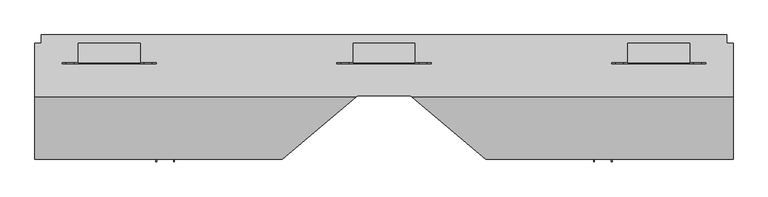
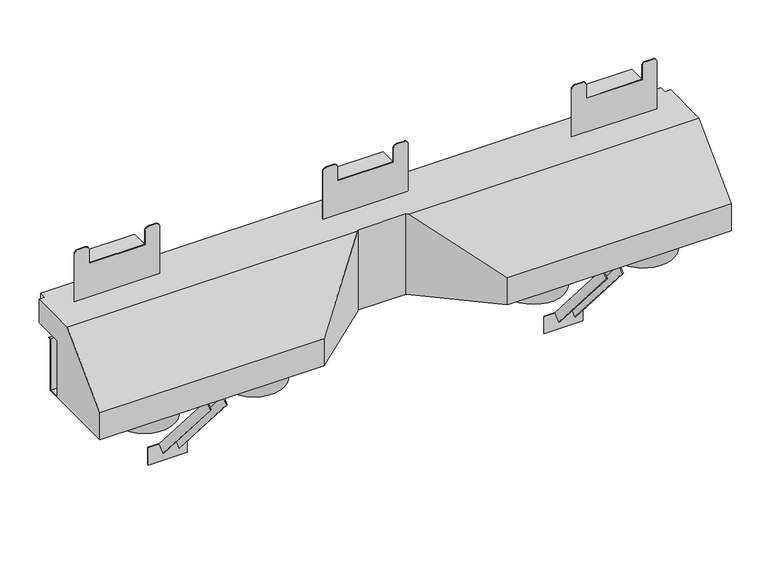
"""IFC4 building model written with IfcOpenShell, lengths in millimetres: proxy geometry."""

from ifc_helpers import new_model, si_unit, point, frame, frame_2d, origin, place, context, project, spatial, polyline, circle_curve, trimmed, segment, composite_curve, outline, extrude, faceted_brep, source, transform, mapped, element, save


def generic_models_78c4437d(model_context):
    return source(origin(), model_context, "Body", "SolidModel", [
        extrude(outline(polyline([(17.4625, 0.0), (17.4625, -19.05), (15.875, -19.05), (15.875, -1.5875), (-15.875, -1.5875), (-15.875, -19.05), (-17.4625, -19.05), (-17.4625, 0.0), (17.4625, 0.0)])), frame((413.1049214, 27.2278235, -198.7459399), z_axis=(0.0, -0.6518566334282185, 0.7583422244973764), x_axis=(1.0, 0.0, 0.0)), (0.0, 0.0, 1.0), 262.7194472),
        extrude(outline(polyline([(17.4625, 0.0), (17.4625, -19.05), (15.875, -19.05), (15.875, -1.5875), (-15.875, -1.5875), (-15.875, -19.05), (-17.4625, -19.05), (-17.4625, 0.0), (17.4625, 0.0)])), frame((-413.1049214, 27.2278235, -198.7459399), z_axis=(0.0, -0.6518566334282185, 0.7583422244973764), x_axis=(1.0, 0.0, 0.0)), (0.0, 0.0, 1.0), 262.7194472),
        extrude(outline(polyline([(372.4374831, 28.3300134), (453.7723597, 28.3300134), (453.7723597, 26.7425134), (372.4374831, 26.7425134), (372.4374831, 28.3300134)])), frame((0.0, 0.0, -237.33125), z_axis=(0.0, 0.0, 1.0), x_axis=(1.0, 0.0, 0.0)), (0.0, 0.0, 1.0), 38.1),
        extrude(outline(polyline([(-453.7723597, 28.3300134), (-372.4374831, 28.3300134), (-372.4374831, 26.7425134), (-453.7723597, 26.7425134), (-453.7723597, 28.3300134)])), frame((0.0, 0.0, -237.33125), z_axis=(0.0, 0.0, 1.0), x_axis=(1.0, 0.0, 0.0)), (0.0, 0.0, 1.0), 38.1),
        extrude(outline(polyline([(-583.1110141, 64.8425134), (-466.3516642, 64.8425134), (-466.3516642, 28.3300134), (-583.1110141, 28.3300134), (-583.1110141, 64.8425134)])), frame((0.0, 0.0, 88.3618152), z_axis=(0.0, 0.0, 1.0), x_axis=(1.0, 0.0, 0.0)), (0.0, 0.0, 1.0), 1.5875),
        extrude(outline(polyline([(466.3516642, 64.8425134), (583.1110141, 64.8425134), (583.1110141, 28.3300134), (466.3516642, 28.3300134), (466.3516642, 64.8425134)])), frame((0.0, 0.0, 88.3618152), z_axis=(0.0, 0.0, 1.0), x_axis=(1.0, 0.0, 0.0)), (0.0, 0.0, 1.0), 1.5875),
        extrude(outline(composite_curve([segment(trimmed(circle_curve(frame_2d((55.872257, -605.9552347)), 7.6147402), [point((55.872257, -613.5699749))], [point((48.2575168, -605.9552347))], False, "CARTESIAN"), True, "CONTINUOUS"), segment(polyline([(48.2575168, -605.9552347), (48.2575168, -590.7257543)]), True, "CONTINUOUS"), segment(trimmed(circle_curve(frame_2d((55.872257, -590.7257543)), 7.6147402), [point((48.2575168, -590.7257543))], [point((55.872257, -583.1110141))], False, "CARTESIAN"), True, "CONTINUOUS"), segment(polyline([(55.872257, -583.1110141), (88.3618152, -583.1110141), (88.3618152, -466.3516642), (55.872257, -466.3516642)]), True, "CONTINUOUS"), segment(trimmed(circle_curve(frame_2d((55.872257, -458.736924)), 7.6147402), [point((55.872257, -466.3516642))], [point((48.2575168, -458.736924))], False, "CARTESIAN"), True, "CONTINUOUS"), segment(polyline([(48.2575168, -458.736924), (48.2575168, -443.5074435)]), True, "CONTINUOUS"), segment(trimmed(circle_curve(frame_2d((55.872257, -443.5074435)), 7.6147402), [point((48.2575168, -443.5074435))], [point((55.872257, -435.8927033))], False, "CARTESIAN"), True, "CONTINUOUS"), segment(polyline([(55.872257, -435.8927033), (124.4049189, -435.8927033), (124.4049189, -613.5699749), (55.872257, -613.5699749)]), True, "CONTINUOUS")], self_intersect=False)), frame((0.0, 66.4300134, 0.0), z_axis=(0.0, 1.0, 0.0), x_axis=(0.0, 0.0, 1.0)), (0.0, 0.0, 1.0), 1.5875),
        extrude(outline(composite_curve([segment(polyline([(55.872257, 613.5699749), (124.4049189, 613.5699749), (124.4049189, 435.8927033), (55.872257, 435.8927033)]), True, "CONTINUOUS"), segment(trimmed(circle_curve(frame_2d((55.872257, 443.5074435)), 7.6147402), [point((55.872257, 435.8927033))], [point((48.2575168, 443.5074435))], False, "CARTESIAN"), True, "CONTINUOUS"), segment(polyline([(48.2575168, 443.5074435), (48.2575168, 458.736924)]), True, "CONTINUOUS"), segment(trimmed(circle_curve(frame_2d((55.872257, 458.736924)), 7.6147402), [point((48.2575168, 458.736924))], [point((55.872257, 466.3516642))], False, "CARTESIAN"), True, "CONTINUOUS"), segment(polyline([(55.872257, 466.3516642), (88.3618152, 466.3516642), (88.3618152, 583.1110141), (55.872257, 583.1110141)]), True, "CONTINUOUS"), segment(trimmed(circle_curve(frame_2d((55.872257, 590.7257543)), 7.6147402), [point((55.872257, 583.1110141))], [point((48.2575168, 590.7257543))], False, "CARTESIAN"), True, "CONTINUOUS"), segment(polyline([(48.2575168, 590.7257543), (48.2575168, 605.9552347)]), True, "CONTINUOUS"), segment(trimmed(circle_curve(frame_2d((55.872257, 605.9552347)), 7.6147402), [point((48.2575168, 605.9552347))], [point((55.872257, 613.5699749))], False, "CARTESIAN"), True, "CONTINUOUS")], self_intersect=False)), frame((0.0, 66.4300134, 0.0), z_axis=(0.0, 1.0, 0.0), x_axis=(0.0, 0.0, 1.0)), (0.0, 0.0, 1.0), 1.5875),
        extrude(outline(polyline([(-577.0108983, 64.8425134), (-460.2515484, 64.8425134), (-460.2515484, 28.3300134), (-577.0108983, 28.3300134), (-577.0108983, 64.8425134)])), frame((0.0, 0.0, 249.3217236), z_axis=(0.0, 0.0, 1.0), x_axis=(1.0, 0.0, 0.0)), (0.0, 0.0, 1.0), 1.5875),
        extrude(outline(polyline([(460.2515484, 64.8425134), (577.0108983, 64.8425134), (577.0108983, 28.3300134), (460.2515484, 28.3300134), (460.2515484, 64.8425134)])), frame((0.0, 0.0, 249.3217236), z_axis=(0.0, 0.0, 1.0), x_axis=(1.0, 0.0, 0.0)), (0.0, 0.0, 1.0), 1.5875),
        extrude(outline(polyline([(-58.5010604, 64.8425134), (58.2582895, 64.8425134), (58.2582895, 28.3300134), (-58.5010604, 28.3300134), (-58.5010604, 64.8425134)])), frame((0.0, 0.0, 249.3217236), z_axis=(0.0, 0.0, 1.0), x_axis=(1.0, 0.0, 0.0)), (0.0, 0.0, 1.0), 1.5875),
        extrude(outline(composite_curve([segment(polyline([(281.0889773, -607.4698592), (176.7924189, -607.4698592), (176.7924189, -429.7925876), (281.0889773, -429.7925876)]), True, "CONTINUOUS"), segment(trimmed(circle_curve(frame_2d((281.0889773, -437.4073278)), 7.6147402), [point((281.0889773, -429.7925876))], [point((288.7037175, -437.4073278))], False, "CARTESIAN"), True, "CONTINUOUS"), segment(polyline([(288.7037175, -437.4073278), (288.7037175, -452.6368082)]), True, "CONTINUOUS"), segment(trimmed(circle_curve(frame_2d((281.0889773, -452.6368082)), 7.6147402), [point((288.7037175, -452.6368082))], [point((281.0889773, -460.2515484))], False, "CARTESIAN"), True, "CONTINUOUS"), segment(polyline([(281.0889773, -460.2515484), (250.9092236, -460.2515484), (250.9092236, -577.0108983), (281.0889773, -577.0108983)]), True, "CONTINUOUS"), segment(trimmed(circle_curve(frame_2d((281.0889773, -584.6256385)), 7.6147402), [point((281.0889773, -577.0108983))], [point((288.7037175, -584.6256385))], False, "CARTESIAN"), True, "CONTINUOUS"), segment(polyline([(288.7037175, -584.6256385), (288.7037175, -599.855119)]), True, "CONTINUOUS"), segment(trimmed(circle_curve(frame_2d((281.0889773, -599.855119)), 7.6147402), [point((288.7037175, -599.855119))], [point((281.0889773, -607.4698592))], False, "CARTESIAN"), True, "CONTINUOUS")], self_intersect=False)), frame((0.0, 26.7425134, 0.0), z_axis=(0.0, 1.0, 0.0), x_axis=(0.0, 0.0, 1.0)), (0.0, 0.0, 1.0), 1.5875),
        extrude(outline(composite_curve([segment(polyline([(281.0889773, 429.7925876), (176.7924189, 429.7925876), (176.7924189, 607.4698592), (281.0889773, 607.4698592)]), True, "CONTINUOUS"), segment(trimmed(circle_curve(frame_2d((281.0889773, 599.855119)), 7.6147402), [point((281.0889773, 607.4698592))], [point((288.7037175, 599.855119))], False, "CARTESIAN"), True, "CONTINUOUS"), segment(polyline([(288.7037175, 599.855119), (288.7037175, 584.6256385)]), True, "CONTINUOUS"), segment(trimmed(circle_curve(frame_2d((281.0889773, 584.6256385)), 7.6147402), [point((288.7037175, 584.6256385))], [point((281.0889773, 577.0108983))], False, "CARTESIAN"), True, "CONTINUOUS"), segment(polyline([(281.0889773, 577.0108983), (250.9092236, 577.0108983), (250.9092236, 460.2515484), (281.0889773, 460.2515484)]), True, "CONTINUOUS"), segment(trimmed(circle_curve(frame_2d((281.0889773, 452.6368082)), 7.6147402), [point((281.0889773, 460.2515484))], [point((288.7037175, 452.6368082))], False, "CARTESIAN"), True, "CONTINUOUS"), segment(polyline([(288.7037175, 452.6368082), (288.7037175, 437.4073278)]), True, "CONTINUOUS"), segment(trimmed(circle_curve(frame_2d((281.0889773, 437.4073278)), 7.6147402), [point((288.7037175, 437.4073278))], [point((281.0889773, 429.7925876))], False, "CARTESIAN"), True, "CONTINUOUS")], self_intersect=False)), frame((0.0, 26.7425134, 0.0), z_axis=(0.0, 1.0, 0.0), x_axis=(0.0, 0.0, 1.0)), (0.0, 0.0, 1.0), 1.5875),
        extrude(outline(composite_curve([segment(polyline([(176.7924189, -88.9600212), (176.7924189, 88.7172504), (281.0889773, 88.7172504)]), True, "CONTINUOUS"), segment(trimmed(circle_curve(frame_2d((281.0889773, 81.1025102)), 7.6147402), [point((281.0889773, 88.7172504))], [point((288.7037175, 81.1025102))], False, "CARTESIAN"), True, "CONTINUOUS"), segment(polyline([(288.7037175, 81.1025102), (288.7037175, 65.8730297)]), True, "CONTINUOUS"), segment(trimmed(circle_curve(frame_2d((281.0889773, 65.8730297)), 7.6147402), [point((288.7037175, 65.8730297))], [point((281.0889773, 58.2582895))], False, "CARTESIAN"), True, "CONTINUOUS"), segment(polyline([(281.0889773, 58.2582895), (250.9092236, 58.2582895), (250.9092236, -58.5010604), (281.0889773, -58.5010604)]), True, "CONTINUOUS"), segment(trimmed(circle_curve(frame_2d((281.0889773, -66.1158006)), 7.6147402), [point((281.0889773, -58.5010604))], [point((288.7037175, -66.1158006))], False, "CARTESIAN"), True, "CONTINUOUS"), segment(polyline([(288.7037175, -66.1158006), (288.7037175, -81.345281)]), True, "CONTINUOUS"), segment(trimmed(circle_curve(frame_2d((281.0889773, -81.345281)), 7.6147402), [point((288.7037175, -81.345281))], [point((281.0889773, -88.9600212))], False, "CARTESIAN"), True, "CONTINUOUS"), segment(polyline([(281.0889773, -88.9600212), (176.7924189, -88.9600212)]), True, "CONTINUOUS")], self_intersect=False)), frame((0.0, 26.7425134, 0.0), z_axis=(0.0, 1.0, 0.0), x_axis=(0.0, 0.0, 1.0)), (0.0, 0.0, 1.0), 1.5875),
        extrude(outline(composite_curve([segment(trimmed(circle_curve(frame_2d((291.8720758, -74.9122761)), 63.5), [point((355.3720758, -74.9122761))], [point((228.3720758, -74.9122761))], False, "CARTESIAN"), True, "CONTINUOUS"), segment(trimmed(circle_curve(frame_2d((291.8720758, -74.9122761)), 63.5), [point((228.3720758, -74.9122761))], [point((355.3720758, -74.9122761))], False, "CARTESIAN"), True, "CONTINUOUS")], self_intersect=False)), frame((0.0, 0.0, -38.1), z_axis=(0.0, 0.0, 1.0), x_axis=(1.0, 0.0, 0.0)), (0.0, 0.0, 1.0), 38.1),
        extrude(outline(composite_curve([segment(trimmed(circle_curve(frame_2d((520.4720758, -74.9122761)), 63.5), [point((583.9720758, -74.9122761))], [point((456.9720758, -74.9122761))], False, "CARTESIAN"), True, "CONTINUOUS"), segment(trimmed(circle_curve(frame_2d((520.4720758, -74.9122761)), 63.5), [point((456.9720758, -74.9122761))], [point((583.9720758, -74.9122761))], False, "CARTESIAN"), True, "CONTINUOUS")], self_intersect=False)), frame((0.0, 0.0, -38.1), z_axis=(0.0, 0.0, 1.0), x_axis=(1.0, 0.0, 0.0)), (0.0, 0.0, 1.0), 38.1),
        extrude(outline(composite_curve([segment(trimmed(circle_curve(frame_2d((-291.8720758, -74.9122761)), 63.5), [point((-355.3720758, -74.9122761))], [point((-228.3720758, -74.9122761))], False, "CARTESIAN"), True, "CONTINUOUS"), segment(trimmed(circle_curve(frame_2d((-291.8720758, -74.9122761)), 63.5), [point((-228.3720758, -74.9122761))], [point((-355.3720758, -74.9122761))], False, "CARTESIAN"), True, "CONTINUOUS")], self_intersect=False)), frame((0.0, 0.0, -38.1), z_axis=(0.0, 0.0, 1.0), x_axis=(1.0, 0.0, 0.0)), (0.0, 0.0, 1.0), 38.1),
        extrude(outline(composite_curve([segment(trimmed(circle_curve(frame_2d((-520.4720758, -74.9122761)), 63.5), [point((-583.9720758, -74.9122761))], [point((-456.9720758, -74.9122761))], False, "CARTESIAN"), True, "CONTINUOUS"), segment(trimmed(circle_curve(frame_2d((-520.4720758, -74.9122761)), 63.5), [point((-456.9720758, -74.9122761))], [point((-583.9720758, -74.9122761))], False, "CARTESIAN"), True, "CONTINUOUS")], self_intersect=False)), frame((0.0, 0.0, -38.1), z_axis=(0.0, 0.0, 1.0), x_axis=(1.0, 0.0, 0.0)), (0.0, 0.0, 1.0), 38.1),
        faceted_brep([(-658.8125, 0.0, 124.4049189), (-658.8125, 0.0, 1.3890625), (-658.8125, 23.772945, 1.3890625), (-658.8125, 23.772945, 114.3), (-658.8125, 30.7112634, 114.3), (-658.8125, 30.7112634, 112.9179315), (-658.8125, 25.1550134, 112.9179315), (-658.8125, 25.1550134, 0.0), (-658.8125, -154.2324866, 0.0), (-658.8125, -154.2324866, 59.5223021), (-658.8125, -36.9623698, 176.7924189), (-658.8125, 65.3258562, 176.7924189), (-658.8125, 65.3258562, 124.4049189), (658.8125, -36.9623698, 176.7924189), (658.8125, -154.2324866, 59.5223021), (658.8125, -154.2324866, 0.0), (658.8125, 25.1550134, 0.0), (658.8125, 25.1550134, 112.9179315), (658.8125, 30.7112634, 112.9179315), (658.8125, 30.7112634, 114.3), (658.8125, 23.772945, 114.3), (658.8125, 23.772945, 1.3890625), (658.8125, 0.0, 1.3890625), (658.8125, 0.0, 124.4049189), (658.8125, 65.3258562, 124.4049189), (658.8125, 65.3258562, 176.7924189), (-647.0350351, 65.3258562, 124.4049189), (-647.0350351, 80.7175134, 124.4049189), (647.0189429, 80.7175134, 124.4049189), (647.0189429, 65.3258562, 124.4049189), (191.5781697, -154.2324866, 0.0), (49.6576265, -33.8751133, 0.0), (-49.6576265, -33.8751133, 0.0), (-191.5781697, -154.2324866, 0.0), (-191.5781697, -154.2324866, 59.5223021), (191.5781697, -154.2324866, 59.5223021), (-53.2979944, -36.9623698, 176.7924189), (53.2979944, -36.9623698, 176.7924189), (647.0189429, 65.3258562, 176.7924189), (647.0189429, 80.7175134, 176.7924189), (-647.0350351, 80.7175134, 176.7924189), (-647.0350351, 65.3258562, 176.7924189), (-49.6576265, -33.8751133, 176.7924189), (49.6576265, -33.8751133, 176.7924189)], [[[0, 1, 2, 3, 4, 5, 6, 7, 8, 9, 10, 11, 12]], [[13, 14, 15, 16, 17, 18, 19, 20, 21, 22, 23, 24, 25]], [[23, 0, 12, 26, 27, 28, 29, 24]], [[1, 0, 23, 22]], [[8, 7, 16, 15, 30, 31, 32, 33]], [[9, 8, 33, 34]], [[15, 14, 35, 30]], [[10, 9, 34, 36]], [[14, 13, 37, 35]], [[37, 13, 25, 38, 39, 40, 41, 11, 10, 36, 42, 43]], [[28, 27, 40, 39]], [[2, 1, 22, 21]], [[3, 2, 21, 20]], [[4, 3, 20, 19]], [[7, 6, 17, 16]], [[5, 4, 19, 18]], [[6, 5, 18, 17]], [[43, 31, 30, 35, 37]], [[31, 43, 42, 32]], [[32, 42, 36, 34, 33]], [[38, 29, 28, 39]], [[29, 38, 25, 24]], [[41, 26, 12, 11]], [[26, 41, 40, 27]]]),
    ])


if __name__ == "__main__":
    model = new_model("IFC4")
    model_context = context("Model", 3, world=origin())
    ifc_project = project(units=[si_unit("LENGTHUNIT", "METRE", prefix="MILLI")], contexts=[model_context])
    site = spatial("IfcSite", under=ifc_project)
    building = spatial("IfcBuilding", under=site)
    placement = place(None, origin())
    generic_models_shape = generic_models_78c4437d(model_context)
    element("IfcBuildingElementProxy", 1, Name="Generic Models", at=placement, inside=building, context=model_context, shape_type="MappedRepresentation", body=[
        mapped(generic_models_shape, transform((0.0, 0.0, 0.0), x_axis=(1.0, 0.0, 0.0), y_axis=(0.0, 1.0, 0.0), z_axis=(0.0, 0.0, 1.0))),
    ])
    save(model, "model.ifc")
